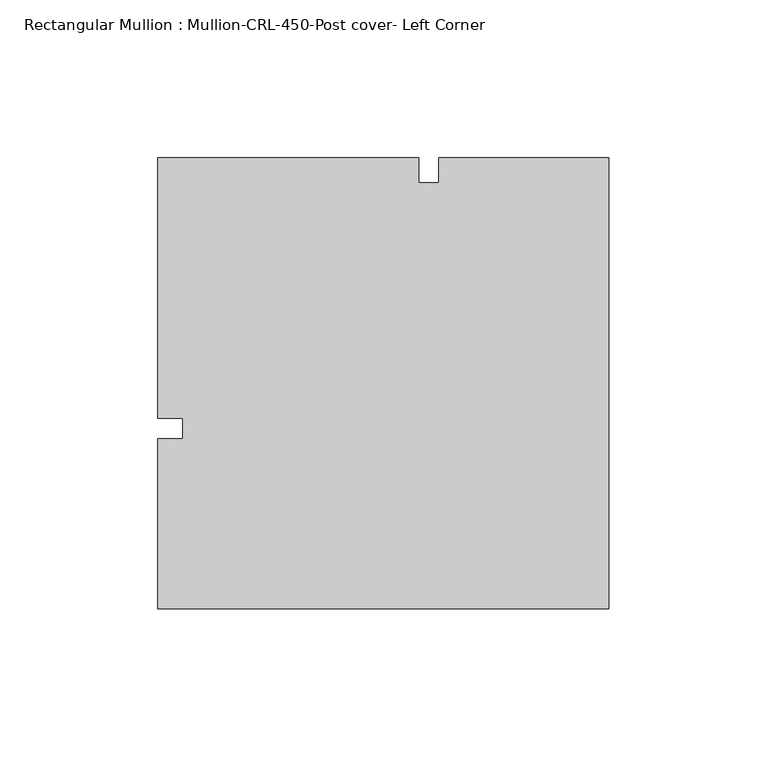
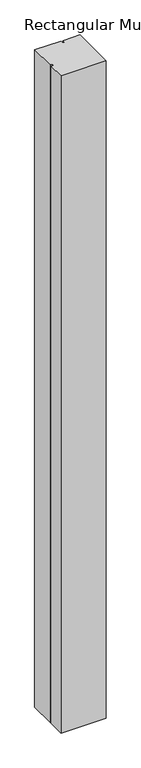
"""IFC4 building model written with IfcOpenShell, lengths in millimetres: member geometry, Rectangular Mullion : Mullion-CRL-450-Post cover- Left Corner."""

from ifc_helpers import new_model, si_unit, frame, origin, place, context, project, spatial, polyline, outline, extrude, source, transform, mapped, element, save


def rectangular_mullion_mullion_crl_450_post_cover_left_corner_040a931e(model_context):
    return source(origin(), model_context, "Body", "SweptSolid", [
        extrude(outline(polyline([(-142.8750577, -57.15), (-142.8750577, -3.175), (-134.9375577, -3.175), (-134.9375577, 3.175), (-142.8750577, 3.175), (-142.8750577, 85.7250577), (-60.3053017, 85.7250577), (-60.3053017, 77.7875577), (-53.9371282, 77.7875577), (-53.9371282, 85.7250577), (0.0, 85.7250577), (0.0, -57.15), (-142.8750577, -57.15)])), frame((0.0, 0.0, -2193.925), z_axis=(0.0, 0.0, 1.0), x_axis=(1.0, 0.0, 0.0)), (0.0, 0.0, 1.0), 2193.925),
    ])


if __name__ == "__main__":
    model = new_model("IFC4")
    model_context = context("Model", 3, world=origin())
    ifc_project = project(units=[si_unit("LENGTHUNIT", "METRE", prefix="MILLI")], contexts=[model_context])
    site = spatial("IfcSite", under=ifc_project)
    building = spatial("IfcBuilding", under=site)
    placement = place(None, origin())
    rectangular_mullion_mullion_crl_450_post_cover_left_corner_shape = rectangular_mullion_mullion_crl_450_post_cover_left_corner_040a931e(model_context)
    element("IfcMember", 1, ObjectType="Rectangular Mullion : Mullion-CRL-450-Post cover- Left Corner", at=placement, inside=building, context=model_context, shape_type="MappedRepresentation", body=[
        mapped(rectangular_mullion_mullion_crl_450_post_cover_left_corner_shape, transform((0.0, 0.0, 0.0), x_axis=(1.0, 0.0, 0.0), y_axis=(0.0, 1.0, 0.0), z_axis=(0.0, 0.0, 1.0))),
    ])
    save(model, "model.ifc")
